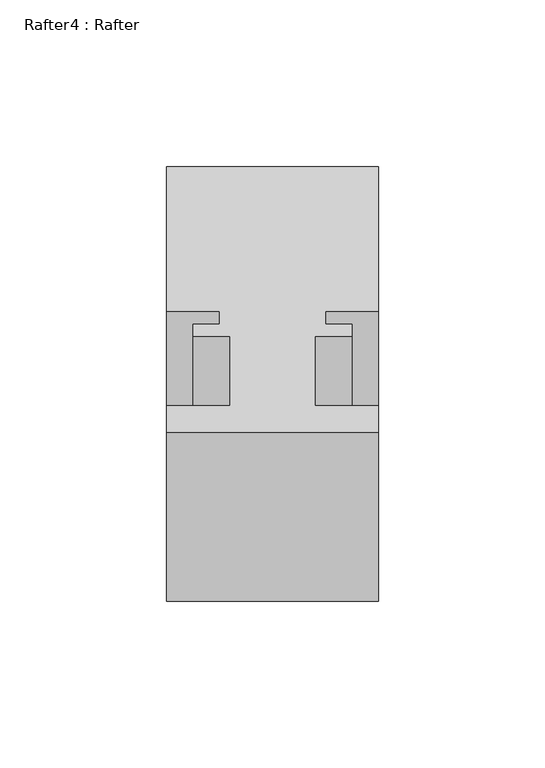
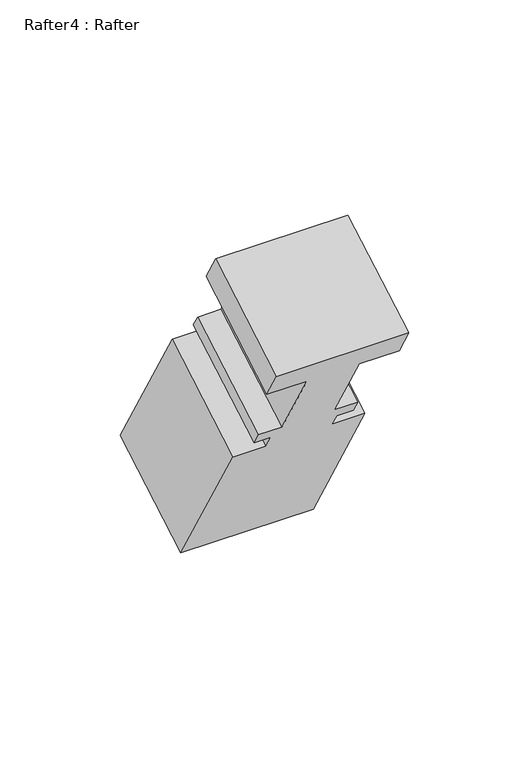
"""IFC4 building model written with IfcOpenShell, lengths in millimetres: proxy geometry, Rafter4 : Rafter."""

from ifc_helpers import new_model, si_unit, frame, origin, place, context, project, spatial, polyline, outline, extrude, source, transform, mapped, element, save


def rafter4_rafter_f2002a67(model_context):
    return source(origin(), model_context, "Body", "SweptSolid", [
        extrude(outline(polyline([(0.0, 0.0), (0.0, -63.5), (-15.8902734, -63.5), (-15.8902734, -44.45), (-57.531, -44.45), (-57.531, -55.5752), (-64.6938, -55.5752), (-64.6938, -47.625), (-72.5932001, -47.625), (-72.5932001, -63.5), (-159.1310001, -63.5), (-159.1310001, 0.0), (-72.5932001, 0.0), (-72.5932001, -15.875), (-64.6938, -15.875), (-64.6938, -7.9248), (-57.531, -7.9248), (-57.531, -19.05), (-15.8691296, -19.05), (-15.8691296, 0.0), (0.0, 0.0)])), frame((9263.8526877, -20356.6901613, 1263.2536414), z_axis=(0.0, 0.8660254037844398, 0.49999999999999806), x_axis=(0.0, -0.49999999999999806, 0.8660254037844398)), (0.0, 0.0, 1.0), 58.4547221),
    ])


if __name__ == "__main__":
    model = new_model("IFC4")
    model_context = context("Model", 3, world=origin())
    ifc_project = project(units=[si_unit("LENGTHUNIT", "METRE", prefix="MILLI")], contexts=[model_context])
    site = spatial("IfcSite", under=ifc_project)
    building = spatial("IfcBuilding", under=site)
    placement = place(None, origin())
    rafter4_rafter_shape = rafter4_rafter_f2002a67(model_context)
    element("IfcBuildingElementProxy", 1, Name="Rafter4 : Rafter", ObjectType="Rafter4 : Rafter", at=placement, inside=building, context=model_context, shape_type="MappedRepresentation", body=[
        mapped(rafter4_rafter_shape, transform((0.0, 0.0, 0.0), x_axis=(1.0, 0.0, 0.0), y_axis=(0.0, 1.0, 0.0), z_axis=(0.0, 0.0, 1.0))),
    ])
    save(model, "model.ifc")
